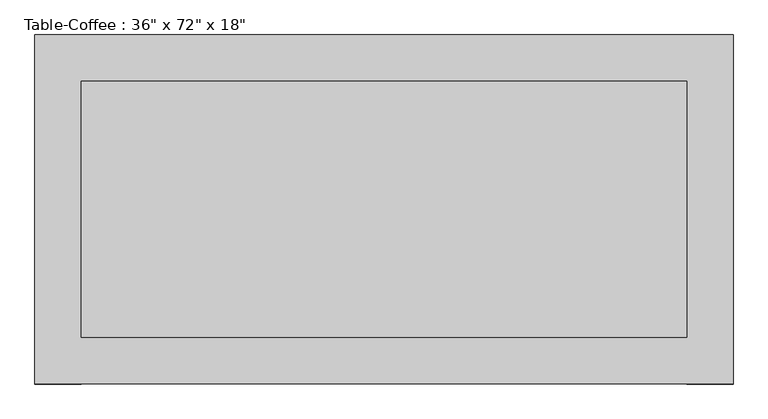
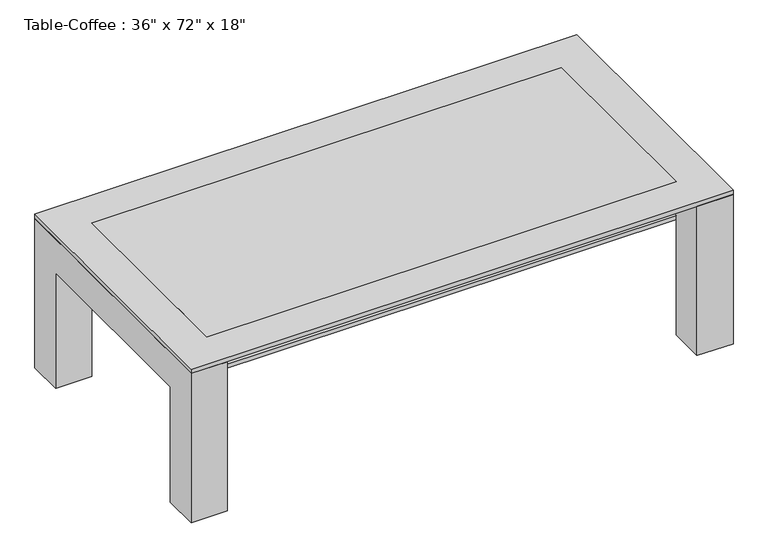
"""IFC4 building model written with IfcOpenShell, lengths in millimetres: furniture geometry."""

from ifc_helpers import new_model, si_unit, frame, origin, place, context, project, spatial, polyline, outline, extrude, source, transform, mapped, element, save


def furniture_162ba504(model_context):
    return source(origin(), model_context, "Body", "SweptSolid", [
        extrude(outline(polyline([(678.6657667, 374.6110778), (678.6657667, -184.1889222), (-642.1342333, -184.1889222), (-642.1342333, 374.6110778), (678.6657667, 374.6110778)])), frame((0.0, 0.0, 342.9), z_axis=(0.0, 0.0, 1.0), x_axis=(1.0, 0.0, 0.0)), (0.0, 0.0, 1.0), 12.7),
        extrude(outline(polyline([(476.2110778, 0.0), (374.6110778, 0.0), (374.6110778, 342.9), (-184.1889222, 342.9), (-184.1889222, 0.0), (-285.7889222, 0.0), (-285.7889222, 444.5), (476.2110778, 444.5), (476.2110778, 0.0)])), frame((678.6657667, 0.0, 0.0), z_axis=(1.0, 0.0, 0.0), x_axis=(0.0, 1.0, 0.0)), (0.0, 0.0, 1.0), 101.6),
        extrude(outline(polyline([(476.2110778, 444.5), (476.2110778, 0.0), (374.6110778, 0.0), (374.6110778, 342.9), (-184.1889222, 342.9), (-184.1889222, 0.0), (-285.7889222, 0.0), (-285.7889222, 444.5), (476.2110778, 444.5)])), frame((-743.7342333, 0.0, 0.0), z_axis=(1.0, 0.0, 0.0), x_axis=(0.0, 1.0, 0.0)), (0.0, 0.0, 1.0), 101.6),
        extrude(outline(polyline([(678.6657667, 374.6110778), (678.6657667, -184.1889222), (-642.1342333, -184.1889222), (-642.1342333, 374.6110778), (678.6657667, 374.6110778)])), frame((0.0, 0.0, 444.5), z_axis=(0.0, 0.0, 1.0), x_axis=(1.0, 0.0, 0.0)), (0.0, 0.0, 1.0), 12.7),
        extrude(outline(polyline([(780.2657667, 476.2110778), (780.2657667, -285.7889222), (-743.7342333, -285.7889222), (-743.7342333, 476.2110778), (780.2657667, 476.2110778)]), holes=[polyline([(678.6657667, 374.6110778), (-642.1342333, 374.6110778), (-642.1342333, -184.1889222), (678.6657667, -184.1889222), (678.6657667, 374.6110778)])]), frame((0.0, 0.0, 444.5), z_axis=(0.0, 0.0, 1.0), x_axis=(1.0, 0.0, 0.0)), (0.0, 0.0, 1.0), 12.7),
    ])


if __name__ == "__main__":
    model = new_model("IFC4")
    model_context = context("Model", 3, world=origin())
    ifc_project = project(units=[si_unit("LENGTHUNIT", "METRE", prefix="MILLI")], contexts=[model_context])
    site = spatial("IfcSite", under=ifc_project)
    building = spatial("IfcBuilding", under=site)
    placement = place(None, origin())
    furniture_shape = furniture_162ba504(model_context)
    element("IfcFurniture", 1, ObjectType="Table-Coffee : 36\" x 72\" x 18\"", at=placement, inside=building, context=model_context, shape_type="MappedRepresentation", body=[
        mapped(furniture_shape, transform((0.0, 0.0, 0.0), x_axis=(1.0, 0.0, 0.0), y_axis=(0.0, 1.0, 0.0), z_axis=(0.0, 0.0, 1.0))),
    ])
    save(model, "model.ifc")
